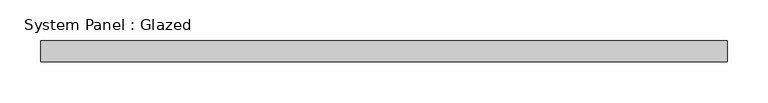
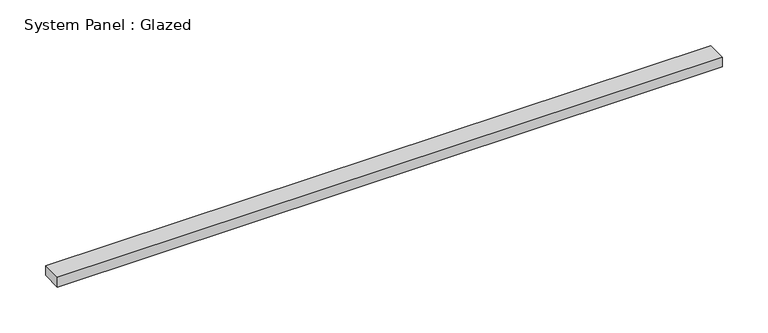
"""IFC4 building model written with IfcOpenShell, lengths in millimetres: plate geometry, System Panel : Glazed."""

from ifc_helpers import new_model, si_unit, origin, origin_with_axes, place, context, project, spatial, polyline, outline, extrude, source, transform, mapped, element, save


def system_panel_glazed_58cac8af(model_context):
    return source(origin(), model_context, "Body", "SweptSolid", [
        extrude(outline(polyline([(419.1, 19.05), (-419.1, 19.05), (-419.1, 44.45), (419.1, 44.45), (419.1, 19.05)])), origin_with_axes(), (0.0, 0.0, 1.0), 12.7),
    ])


if __name__ == "__main__":
    model = new_model("IFC4")
    model_context = context("Model", 3, world=origin())
    ifc_project = project(units=[si_unit("LENGTHUNIT", "METRE", prefix="MILLI")], contexts=[model_context])
    site = spatial("IfcSite", under=ifc_project)
    building = spatial("IfcBuilding", under=site)
    placement = place(None, origin())
    system_panel_glazed_shape = system_panel_glazed_58cac8af(model_context)
    element("IfcPlate", 1, ObjectType="System Panel : Glazed", at=placement, inside=building, context=model_context, shape_type="MappedRepresentation", body=[
        mapped(system_panel_glazed_shape, transform((0.0, 0.0, 0.0), x_axis=(1.0, 0.0, 0.0), y_axis=(0.0, 1.0, 0.0), z_axis=(0.0, 0.0, 1.0))),
    ])
    save(model, "model.ifc")
